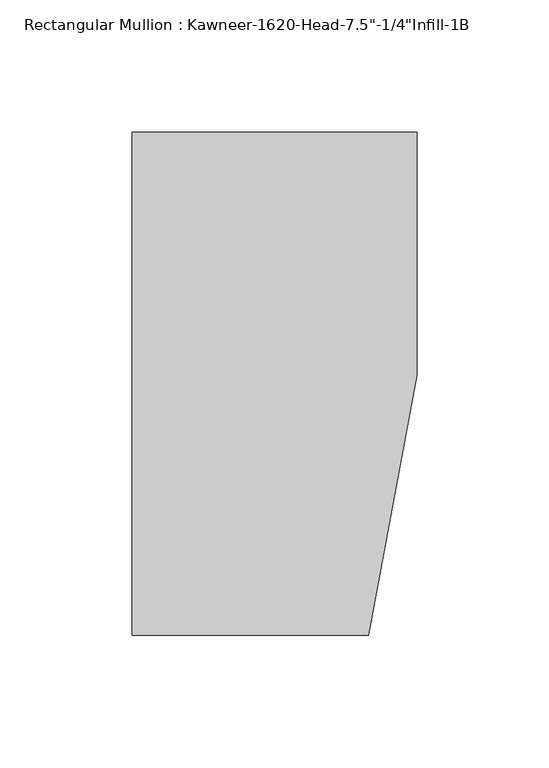
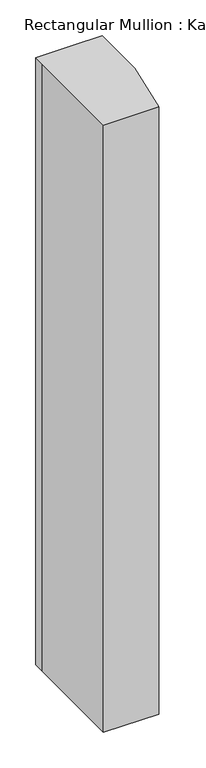
"""IFC4 building model written with IfcOpenShell, lengths in millimetres: member geometry."""

from ifc_helpers import new_model, si_unit, frame, origin, place, context, project, spatial, polyline, outline, extrude, source, transform, mapped, element, save


def member_16c41475(model_context):
    return source(origin(), model_context, "Body", "SweptSolid", [
        extrude(outline(polyline([(-107.95, 10.3845466), (-107.95, 28.575), (-44.1519366, 28.575), (0.0, 28.575), (0.0, -63.5), (-18.3538271, -161.925), (-107.95, -161.925), (-107.95, 10.3845466)])), frame((0.0, 0.0, -1040.9746182), z_axis=(0.0, 0.0, 1.0), x_axis=(1.0, 0.0, 0.0)), (0.0, 0.0, 1.0), 1040.9746182),
    ])


if __name__ == "__main__":
    model = new_model("IFC4")
    model_context = context("Model", 3, world=origin())
    ifc_project = project(units=[si_unit("LENGTHUNIT", "METRE", prefix="MILLI")], contexts=[model_context])
    site = spatial("IfcSite", under=ifc_project)
    building = spatial("IfcBuilding", under=site)
    placement = place(None, origin())
    member_shape = member_16c41475(model_context)
    element("IfcMember", 1, ObjectType="Rectangular Mullion : Kawneer-1620-Head-7.5\"-1/4\"Infill-1B", at=placement, inside=building, context=model_context, shape_type="MappedRepresentation", body=[
        mapped(member_shape, transform((0.0, 0.0, 0.0), x_axis=(1.0, 0.0, 0.0), y_axis=(0.0, 1.0, 0.0), z_axis=(0.0, 0.0, 1.0))),
    ])
    save(model, "model.ifc")
